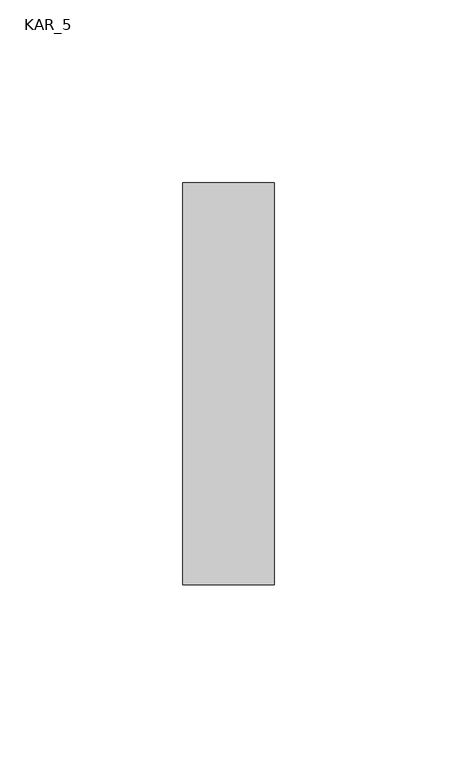
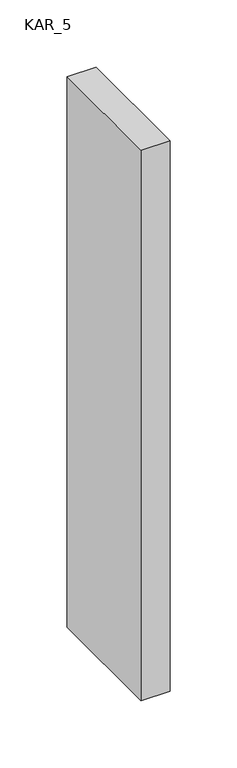
"""IFC4 building model written with IfcOpenShell, lengths in millimetres: proxy geometry, KAR_5."""

from ifc_helpers import new_model, si_unit, frame, origin, place, context, project, spatial, polyline, outline, extrude, source, transform, mapped, element, save


def kar_5_83e0755b(model_context):
    return source(origin(), model_context, "Body", "SweptSolid", [
        extrude(outline(polyline([(25.0, 110.0), (25.0, 0.0), (0.0, 0.0), (0.0, 110.0), (25.0, 110.0)])), frame((0.0, 0.0, 2000.0), z_axis=(0.0, 0.0, 1.0), x_axis=(1.0, 0.0, 0.0)), (0.0, 0.0, 1.0), 500.0),
    ])


if __name__ == "__main__":
    model = new_model("IFC4")
    model_context = context("Model", 3, world=origin())
    ifc_project = project(units=[si_unit("LENGTHUNIT", "METRE", prefix="MILLI")], contexts=[model_context])
    site = spatial("IfcSite", under=ifc_project)
    building = spatial("IfcBuilding", under=site)
    placement = place(None, origin())
    kar_5_shape = kar_5_83e0755b(model_context)
    element("IfcBuildingElementProxy", 1, Name="KAR_5", ObjectType="KAR_5", at=placement, inside=building, context=model_context, shape_type="MappedRepresentation", body=[
        mapped(kar_5_shape, transform((0.0, 0.0, 0.0), x_axis=(1.0, 0.0, 0.0), y_axis=(0.0, 1.0, 0.0), z_axis=(0.0, 0.0, 1.0))),
    ])
    save(model, "model.ifc")
